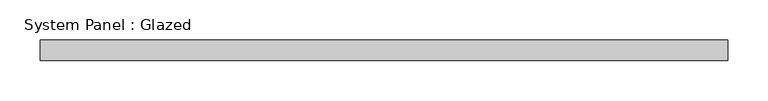
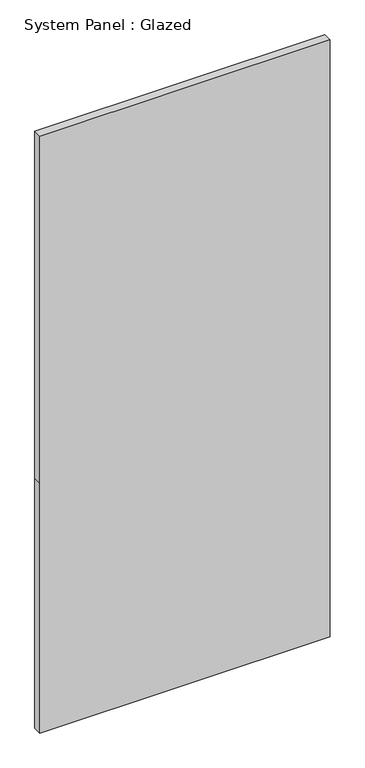
"""IFC4 building model written with IfcOpenShell, lengths in millimetres: plate geometry, System Panel : Glazed."""

from ifc_helpers import new_model, si_unit, frame, origin, place, context, project, spatial, polyline, outline, extrude, source, transform, mapped, element, save


def system_panel_glazed_de9162e0(model_context):
    return source(origin(), model_context, "Body", "SweptSolid", [
        extrude(outline(polyline([(0.0, -425.0), (0.0, 425.0), (773.3333333, 425.0), (1846.6666667, 425.0), (1846.6666667, -425.0), (773.3333333, -425.0), (0.0, -425.0)])), frame((0.0, 24.5, 0.0), z_axis=(0.0, 1.0, 0.0), x_axis=(0.0, 0.0, 1.0)), (0.0, 0.0, 1.0), 25.0),
    ])


if __name__ == "__main__":
    model = new_model("IFC4")
    model_context = context("Model", 3, world=origin())
    ifc_project = project(units=[si_unit("LENGTHUNIT", "METRE", prefix="MILLI")], contexts=[model_context])
    site = spatial("IfcSite", under=ifc_project)
    building = spatial("IfcBuilding", under=site)
    placement = place(None, origin())
    system_panel_glazed_shape = system_panel_glazed_de9162e0(model_context)
    element("IfcPlate", 1, ObjectType="System Panel : Glazed", at=placement, inside=building, context=model_context, shape_type="MappedRepresentation", body=[
        mapped(system_panel_glazed_shape, transform((0.0, 0.0, 0.0), x_axis=(1.0, 0.0, 0.0), y_axis=(0.0, 1.0, 0.0), z_axis=(0.0, 0.0, 1.0))),
    ])
    save(model, "model.ifc")
